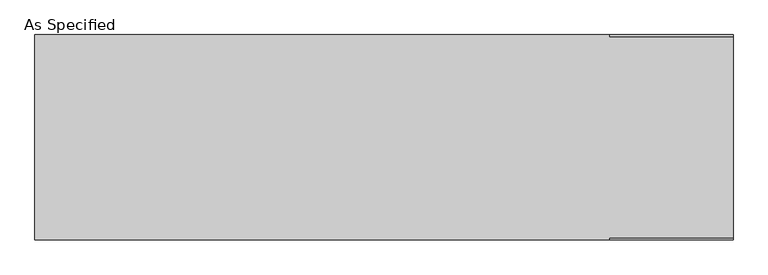
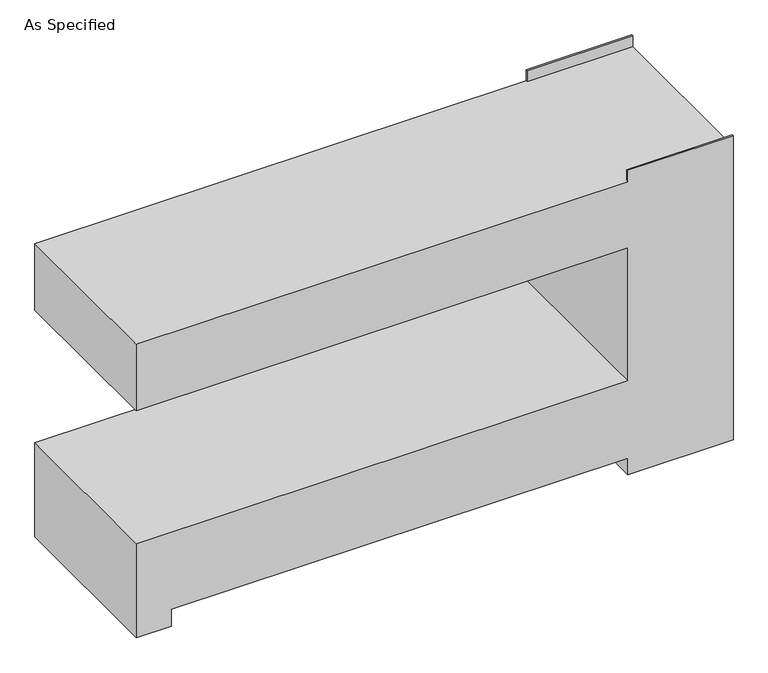
"""IFC4 building model written with IfcOpenShell, lengths in millimetres: proxy geometry, As Specified."""

from ifc_helpers import new_model, si_unit, origin, place, context, project, spatial, faceted_brep, source, transform, mapped, element, save


def as_specified_8b9591c2(model_context):
    return source(origin(), model_context, "Body", "Brep", [
        faceted_brep([(-1295.4, 381.0, 1346.2), (-1295.4, -381.0, 1346.2), (838.2, -381.0, 1346.2), (838.2, -374.65, 1346.2), (1295.4, -374.65, 1346.2), (1295.4, 374.65, 1346.2), (838.2, 374.65, 1346.2), (838.2, 381.0, 1346.2), (1295.4, 381.0, 0.0), (1295.4, -381.0, 0.0), (838.2, -381.0, 0.0), (838.2, 381.0, 0.0), (-1295.4, -381.0, 0.0), (-1295.4, 381.0, 0.0), (-1143.0, 381.0, 0.0), (-1143.0, -381.0, 0.0), (838.2, 381.0, 76.2), (-1143.0, 381.0, 76.2), (-1295.4, 381.0, 431.8), (838.2, 381.0, 431.8), (838.2, 381.0, 1041.4), (-1295.4, 381.0, 1041.4), (838.2, 381.0, 1397.0), (1295.4, 381.0, 1397.0), (-1295.4, -381.0, 1041.4), (-1295.4, -381.0, 431.8), (-1143.0, -381.0, 76.2), (838.2, -381.0, 76.2), (1295.4, -381.0, 1397.0), (838.2, -381.0, 1397.0), (838.2, -381.0, 1041.4), (838.2, -381.0, 431.8), (1295.4, 374.65, 1397.0), (1295.4, -374.65, 1397.0), (838.2, -374.65, 1397.0), (838.2, 374.65, 1397.0)], [[[0, 1, 2, 3, 4, 5, 6, 7]], [[8, 9, 10, 11]], [[12, 13, 14, 15]], [[8, 11, 16, 17, 14, 13, 18, 19, 20, 21, 0, 7, 22, 23]], [[1, 0, 21, 24]], [[13, 12, 25, 18]], [[25, 12, 15, 26, 27, 10, 9, 28, 29, 2, 1, 24, 30, 31]], [[9, 8, 23, 32, 5, 4, 33, 28]], [[31, 19, 18, 25]], [[19, 31, 30, 20]], [[20, 30, 24, 21]], [[17, 26, 15, 14]], [[27, 16, 11, 10]], [[26, 17, 16, 27]], [[29, 34, 3, 2]], [[34, 29, 28, 33]], [[3, 34, 33, 4]], [[22, 7, 6, 35]], [[22, 35, 32, 23]], [[35, 6, 5, 32]]]),
    ])


if __name__ == "__main__":
    model = new_model("IFC4")
    model_context = context("Model", 3, world=origin())
    ifc_project = project(units=[si_unit("LENGTHUNIT", "METRE", prefix="MILLI")], contexts=[model_context])
    site = spatial("IfcSite", under=ifc_project)
    building = spatial("IfcBuilding", under=site)
    placement = place(None, origin())
    as_specified_shape = as_specified_8b9591c2(model_context)
    element("IfcBuildingElementProxy", 1, Name="As Specified", ObjectType="As Specified", at=placement, inside=building, context=model_context, shape_type="MappedRepresentation", body=[
        mapped(as_specified_shape, transform((0.0, 0.0, 0.0), x_axis=(1.0, 0.0, 0.0), y_axis=(0.0, 1.0, 0.0), z_axis=(0.0, 0.0, 1.0))),
    ])
    save(model, "model.ifc")
